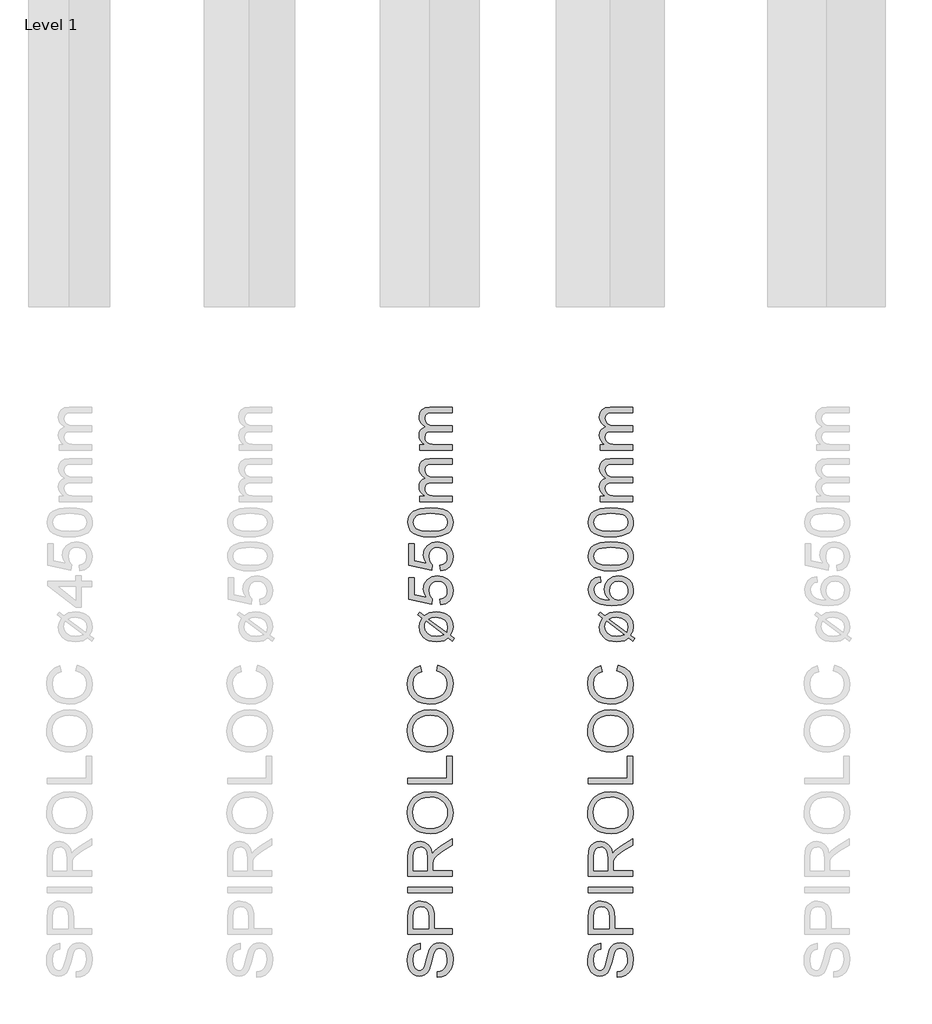
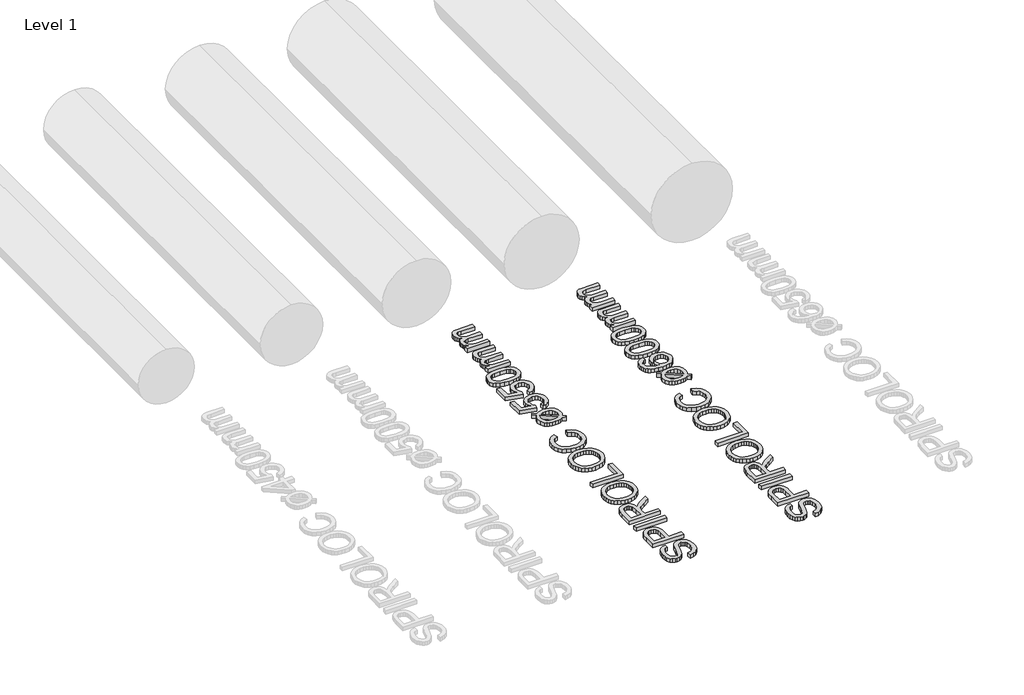
# One storey, part 11 of 19: 2 proxies.
"""IFC4 building model written with IfcOpenShell, lengths in millimetres."""

from ifc_helpers import new_model, si_unit, origin, origin_with_axes, place, context, project, spatial, polyline, outline, extrude, element, save

model = new_model("IFC4")

# Units and contexts
model_context = context("Model", 3, world=origin())
ifc_project = project(units=[si_unit("LENGTHUNIT", "METRE", prefix="MILLI")], contexts=[model_context])

# Site, building, storey
site = spatial("IfcSite", under=ifc_project)
building = spatial("IfcBuilding", under=site)
storey = spatial("IfcBuildingStorey", under=building, Name="Level 1", Elevation=0.0)

# Proxies
placement = place(None, origin())
element("IfcBuildingElementProxy", 1, Name="250mm", ObjectType="250mm", at=placement, inside=storey, context=model_context, shape_type="SweptSolid", body=[
    extrude(outline(polyline([(14325.8043383, -1501.7841772), (14325.8043383, -1471.0149464), (14342.8791581, -1467.4842974), (14356.6036172, -1461.099081), (14367.4960451, -1451.1381435), (14376.074771, -1436.880331), (14381.6411773, -1419.4524464), (14383.496646, -1399.9812926), (14377.8776557, -1367.8298502), (14371.2069826, -1355.6678911), (14362.4329441, -1347.0666291), (14352.3593263, -1341.950944), (14341.7899153, -1340.2457156), (14322.5891941, -1345.3538887), (14314.9945427, -1353.1363406), (14308.6168383, -1366.2673502), (14296.8680403, -1411.0690329), (14281.6937614, -1459.2961964), (14271.3421989, -1474.6132036), (14258.7971268, -1485.4680714), (14244.3289778, -1491.93592), (14228.2081845, -1494.0918695), (14210.1868504, -1491.4251026), (14193.3824633, -1483.4248022), (14179.1396749, -1470.3013046), (14168.8031364, -1452.2649464), (14162.5155763, -1430.615307), (14160.419723, -1406.6519656), (14162.6132326, -1380.6904272), (14169.1937614, -1357.974081), (14180.0260932, -1339.3142252), (14194.9750114, -1325.5221579), (14213.1090258, -1316.7931916), (14233.496646, -1313.3226387), (14233.496646, -1344.0918695), (14215.137271, -1349.7409079), (14201.8860691, -1361.5197541), (14193.8632326, -1379.9242012), (14191.1889537, -1405.4500426), (14193.8331845, -1431.5768454), (14201.7658768, -1449.5005233), (14213.4395547, -1459.8671099), (14227.3067422, -1463.3226387), (14239.1306605, -1460.8737204), (14248.6408768, -1453.5269656), (14257.1444826, -1436.1591772), (14265.8283768, -1403.286581), (14281.2730883, -1348.8394656), (14292.4359489, -1331.2989007), (14306.2129922, -1319.0618214), (14322.4539778, -1311.872819), (14341.0086653, -1309.4764849), (14359.9765138, -1312.2333959), (14377.8175595, -1320.5041291), (14393.1721268, -1333.9506435), (14404.6805403, -1352.2348983), (14411.8695427, -1374.2225786), (14414.2658768, -1398.7793695), (14411.6817422, -1428.9251026), (14403.9293383, -1453.7373022), (14390.9786172, -1473.5014248), (14372.7995307, -1488.5029272), (14350.654098, -1498.1333358), (14325.8043383, -1501.7841772)])), origin_with_axes(), (0.0, 0.0, 1.0), 30.0),
    extrude(outline(polyline([(14410.419723, -1263.3226387), (14164.2658768, -1263.3226387), (14164.2658768, -1172.0966772), (14166.6096268, -1135.317831), (14170.989134, -1118.919093), (14178.1180403, -1105.4199945), (14188.3193624, -1094.5501026), (14201.9161172, -1086.0389849), (14217.9542783, -1080.5401868), (14235.4798191, -1078.7072541), (14264.4912374, -1083.6576748), (14288.6649153, -1098.5089368), (14298.1826436, -1110.4023412), (14304.981021, -1126.2808719), (14309.0600475, -1146.1445287), (14310.419723, -1169.9933118), (14310.419723, -1232.5534079), (14410.419723, -1232.5534079), (14410.419723, -1263.3226387)]), holes=[polyline([(14279.6504922, -1232.5534079), (14279.6504922, -1168.1904272), (14276.825973, -1140.9067733), (14268.3524153, -1122.8779272), (14254.7556605, -1112.8268454), (14236.5615499, -1109.4764849), (14222.7394345, -1111.4521459), (14211.0807807, -1117.3791291), (14202.3067422, -1126.5212565), (14197.138473, -1138.1423502), (14195.0351076, -1168.911581), (14195.0351076, -1232.5534079), (14279.6504922, -1232.5534079)])]), origin_with_axes(), (0.0, 0.0, 1.0), 30.0),
    extrude(outline(polyline([(14410.419723, -1032.5534079), (14164.2658768, -1032.5534079), (14164.2658768, -1001.7841772), (14410.419723, -1001.7841772), (14410.419723, -1032.5534079)])), origin_with_axes(), (0.0, 0.0, 1.0), 30.0),
    extrude(outline(polyline([(14410.419723, -940.2457156), (14164.2658768, -940.2457156), (14164.2658768, -834.1760041), (14165.9260331, -805.6678911), (14170.9065018, -784.927206), (14180.1012133, -769.7679512), (14194.404098, -758.0041291), (14212.1399754, -750.4545498), (14231.6336653, -747.9380233), (14255.8824633, -752.107194), (14275.9846268, -764.614706), (14290.7232085, -785.8361603), (14298.8812614, -816.1471579), (14312.0423191, -798.6591772), (14343.7129922, -773.7192733), (14410.419723, -732.6736002), (14410.419723, -768.4308118), (14359.3980883, -800.4620618), (14325.6240499, -823.599081), (14309.668521, -839.8550906), (14303.809146, -854.4885041), (14302.7274153, -872.3370618), (14302.7274153, -909.4764849), (14410.419723, -909.4764849), (14410.419723, -940.2457156)]), holes=[polyline([(14271.9581845, -909.4764849), (14271.9581845, -840.6062926), (14267.6012133, -805.4800906), (14261.9371508, -793.9266051), (14253.6589057, -785.5281676), (14243.645384, -780.4124825), (14232.7754922, -778.7072541), (14217.7664778, -781.9599584), (14205.6721268, -791.7180714), (14197.6943624, -808.5074344), (14195.0351076, -832.8538887), (14195.0351076, -909.4764849), (14271.9581845, -909.4764849)])]), origin_with_axes(), (0.0, 0.0, 1.0), 30.0),
    extrude(outline(polyline([(14290.5879922, -705.630331), (14261.7155463, -703.5795498), (14236.1559008, -697.427206), (14213.9090559, -687.1732998), (14194.9750114, -672.817831), (14179.8570727, -655.220926), (14169.0585451, -635.2427108), (14162.5794285, -612.8831856), (14160.419723, -588.1423502), (14164.4762133, -555.8556916), (14176.6456845, -526.9043695), (14196.0717662, -502.8659079), (14221.8980883, -485.317831), (14252.8776557, -474.5906676), (14287.763473, -471.0149464), (14323.1150355, -474.778468), (14354.5302999, -486.0690329), (14380.4016941, -504.2631435), (14399.121646, -528.7373022), (14410.4798191, -557.4407276), (14414.2658768, -588.3226387), (14410.0816821, -621.1050906), (14397.529098, -650.2216772), (14377.7424393, -674.2000426), (14351.856021, -691.567831), (14322.0708648, -702.114706), (14290.5879922, -705.630331)]), holes=[polyline([(14290.888473, -674.8611002), (14311.2873612, -673.3230143), (14329.3950835, -668.7087565), (14345.21164, -661.0183268), (14358.7370307, -650.2517252), (14369.5693624, -637.1639097), (14377.3067422, -622.5098382), (14381.9491701, -606.2895107), (14383.496646, -588.5029272), (14381.934146, -570.4121069), (14377.246646, -554.0002228), (14369.434146, -539.2672751), (14358.496646, -526.2132637), (14344.6857987, -515.5255383), (14328.2532566, -507.8914488), (14309.1990198, -503.3109951), (14287.5230883, -501.7841772), (14260.2845066, -504.3983599), (14236.7418383, -512.2409079), (14217.4885331, -525.1089969), (14203.1180403, -542.7998022), (14194.1712254, -564.1414488), (14191.1889537, -587.9620618), (14196.9356484, -621.0600185), (14214.1757326, -649.2000426), (14227.5903209, -660.4267553), (14244.8473071, -668.4458358), (14265.9466911, -673.2572841), (14290.888473, -674.8611002)])]), origin_with_axes(), (0.0, 0.0, 1.0), 30.0),
    extrude(outline(polyline([(14410.419723, -428.7072541), (14164.2658768, -428.7072541), (14164.2658768, -397.9380233), (14379.6504922, -397.9380233), (14379.6504922, -274.8611002), (14410.419723, -274.8611002), (14410.419723, -428.7072541)])), origin_with_axes(), (0.0, 0.0, 1.0), 30.0),
    extrude(outline(polyline([(14290.5879922, -251.7841772), (14261.7155463, -249.7333959), (14236.1559008, -243.5810522), (14213.9090559, -233.3271459), (14194.9750114, -218.9716772), (14179.8570727, -201.3747721), (14169.0585451, -181.396557), (14162.5794285, -159.0370317), (14160.419723, -134.2961964), (14164.4762133, -102.0095377), (14176.6456845, -73.0582156), (14196.0717662, -49.0197541), (14221.8980883, -31.4716772), (14252.8776557, -20.7445137), (14287.763473, -17.1687926), (14323.1150355, -20.9323142), (14354.5302999, -32.2228791), (14380.4016941, -50.4169897), (14399.121646, -74.8911483), (14410.4798191, -103.5945738), (14414.2658768, -134.4764849), (14410.0816821, -167.2589368), (14397.529098, -196.3755233), (14377.7424393, -220.3538887), (14351.856021, -237.7216772), (14322.0708648, -248.2685522), (14290.5879922, -251.7841772)]), holes=[polyline([(14290.888473, -221.0149464), (14311.2873612, -219.4768605), (14329.3950835, -214.8626026), (14345.21164, -207.172173), (14358.7370307, -196.4055714), (14369.5693624, -183.3177559), (14377.3067422, -168.6636844), (14381.9491701, -152.4433569), (14383.496646, -134.6567733), (14381.934146, -116.565953), (14377.246646, -100.154069), (14369.434146, -85.4211213), (14358.496646, -72.3671099), (14344.6857987, -61.6793845), (14328.2532566, -54.045295), (14309.1990198, -49.4648412), (14287.5230883, -47.9380233), (14260.2845066, -50.552206), (14236.7418383, -58.3947541), (14217.4885331, -71.262843), (14203.1180403, -88.9536483), (14194.1712254, -110.295295), (14191.1889537, -134.1159079), (14196.9356484, -167.2138647), (14214.1757326, -195.3538887), (14227.5903209, -206.5806014), (14244.8473071, -214.599682), (14265.9466911, -219.4111303), (14290.888473, -221.0149464)])]), origin_with_axes(), (0.0, 0.0, 1.0), 30.0),
    extrude(outline(polyline([(14322.919723, 198.2158228), (14330.8524153, 228.9850536), (14366.7072831, 214.7873373), (14392.9016941, 192.5066882), (14408.9248311, 163.2398613), (14414.2658768, 128.0836113), (14410.2244105, 92.3940079), (14398.1000114, 64.0511594), (14378.3133528, 42.3263998), (14351.2851076, 26.4910632), (14319.5092662, 16.8230945), (14285.4798191, 13.6004382), (14249.5873912, 17.2437675), (14218.5927999, 28.1737555), (14193.4801196, 45.8194887), (14175.2334249, 69.6100536), (14164.1231484, 97.8251978), (14160.419723, 128.744669), (14165.2123912, 162.4811474), (14179.590396, 190.3732748), (14202.6673191, 211.549657), (14233.5567422, 225.1388998), (14240.888473, 194.369669), (14218.4500715, 183.7026017), (14203.0579441, 169.1292844), (14194.1562013, 150.4694286), (14191.1889537, 127.5427459), (14194.4792182, 101.1154623), (14204.3500114, 79.4057267), (14219.7646749, 62.9318685), (14239.6865499, 52.2122171), (14262.2075835, 46.330306), (14285.419723, 44.369669), (14313.8452037, 46.6908829), (14338.4245307, 53.6545248), (14358.2187013, 65.5235151), (14372.2887133, 82.5607748), (14380.6946629, 102.985955), (14383.496646, 125.0187074), (14379.6805403, 150.7023012), (14368.232223, 172.104044), (14349.2718864, 188.2623974), (14322.919723, 198.2158228)])), origin_with_axes(), (0.0, 0.0, 1.0), 30.0),
    extrude(outline(polyline([(14243.3524153, 490.2831305), (14219.0735691, 508.6725536), (14230.2514537, 523.3360151), (14255.6721268, 504.0451498), (14281.934146, 519.5499574), (14321.1168383, 525.1388998), (14344.6595066, 523.3923553), (14364.8668383, 518.1527219), (14381.7388335, 509.4199995), (14395.2754922, 497.1941882), (14409.5182807, 472.2092123), (14414.2658768, 442.5667844), (14410.2244105, 417.822193), (14398.1000114, 396.1124574), (14421.9581845, 378.0235151), (14411.0206845, 363.119669), (14388.2442422, 380.4273613), (14365.0471268, 366.4249574), (14345.2454441, 361.4219526), (14322.9798191, 359.7542844), (14299.093476, 361.2717123), (14278.7565619, 365.8239959), (14261.9690769, 373.4111353), (14248.731021, 384.0331305), (14231.536009, 410.4303661), (14225.8043383, 441.0643805), (14230.0411172, 466.0042844), (14243.3524153, 490.2831305)]), holes=[polyline([(14265.2274153, 473.6965921), (14258.7370307, 458.3119767), (14256.5735691, 442.2062074), (14260.7277158, 421.9988757), (14273.1901557, 405.3672651), (14293.8707446, 394.2344526), (14322.6793383, 390.5235151), (14345.0952037, 392.6719526), (14363.544723, 399.1172651), (14265.2274153, 473.6965921)]), polyline([(14280.6120307, 485.1749574), (14378.388473, 411.0163036), (14383.496646, 440.5836113), (14379.4326436, 461.9177459), (14367.2406364, 479.1653421), (14346.9356484, 490.5685873), (14318.5327037, 494.369669), (14297.3187614, 492.025919), (14280.6120307, 485.1749574)])]), origin_with_axes(), (0.0, 0.0, 1.0), 30.0),
    extrude(outline(polyline([(14345.0351076, 563.6004382), (14341.1889537, 594.369669), (14359.661009, 600.0187074), (14372.8896749, 609.8744767), (14380.8449033, 623.8919046), (14383.496646, 642.025919), (14379.8082446, 664.0812074), (14368.7430403, 680.6076498), (14351.5780763, 690.9291642), (14329.590396, 694.369669), (14308.887271, 691.1470127), (14293.0519345, 681.479044), (14283.0008528, 665.2906425), (14279.6504922, 642.5066882), (14284.9990499, 615.4934671), (14298.8812614, 598.2158228), (14295.0351076, 567.4465921), (14168.1120307, 594.369669), (14168.1120307, 713.6004382), (14198.8812614, 713.6004382), (14198.8812614, 619.2494767), (14266.669723, 606.088419), (14253.3283768, 628.0685873), (14248.8812614, 651.1004382), (14254.3950835, 679.8489358), (14270.9365499, 703.7146209), (14296.1468864, 719.78283), (14327.6673191, 725.1388998), (14358.4365499, 720.3161834), (14384.7586653, 705.8480344), (14397.6680703, 693.0625776), (14406.8890739, 678.1437074), (14412.4216761, 661.0914238), (14414.2658768, 641.9057267), (14409.5257927, 611.6848733), (14395.3055403, 587.6088517), (14373.2577638, 571.1049454), (14345.0351076, 563.6004382)])), origin_with_axes(), (0.0, 0.0, 1.0), 30.0),
    extrude(outline(polyline([(14345.0351076, 752.0619767), (14341.1889537, 782.8312074), (14359.661009, 788.4802459), (14372.8896749, 798.3360151), (14380.8449033, 812.353443), (14383.496646, 830.4874574), (14379.8082446, 852.5427459), (14368.7430403, 869.0691882), (14351.5780763, 879.3907026), (14329.590396, 882.8312074), (14308.887271, 879.6085512), (14293.0519345, 869.9405824), (14283.0008528, 853.752181), (14279.6504922, 830.9682267), (14284.9990499, 803.9550055), (14298.8812614, 786.6773613), (14295.0351076, 755.9081305), (14168.1120307, 782.8312074), (14168.1120307, 902.0619767), (14198.8812614, 902.0619767), (14198.8812614, 807.7110151), (14266.669723, 794.5499574), (14253.3283768, 816.5301257), (14248.8812614, 839.5619767), (14254.3950835, 868.3104743), (14270.9365499, 892.1761594), (14296.1468864, 908.2443685), (14327.6673191, 913.6004382), (14358.4365499, 908.7777219), (14384.7586653, 894.3095728), (14397.6680703, 881.5241161), (14406.8890739, 866.6052459), (14412.4216761, 849.5529623), (14414.2658768, 830.3672651), (14409.5257927, 800.1464118), (14395.3055403, 776.0703901), (14373.2577638, 759.5664839), (14345.0351076, 752.0619767)])), origin_with_axes(), (0.0, 0.0, 1.0), 30.0),
    extrude(outline(polyline([(14289.325973, 940.5235151), (14249.9254321, 942.7846329), (14218.5026557, 949.5679863), (14194.5768744, 960.8059671), (14177.6673191, 976.4309671), (14167.6162374, 996.5556666), (14164.2658768, 1021.2927459), (14166.2490499, 1040.2530824), (14172.1985691, 1057.2302459), (14181.8815619, 1071.4279623), (14195.0651557, 1082.0499574), (14231.4834249, 1096.4730344), (14256.6862494, 1100.6647411), (14289.325973, 1102.0619767), (14328.5011533, 1099.8233949), (14359.8488095, 1093.1076498), (14383.7971268, 1081.9372772), (14400.7742903, 1066.3348132), (14410.8929802, 1046.1650416), (14414.2658768, 1021.2927459), (14412.8010331, 1004.3456305), (14408.4065018, 989.3215921), (14401.0822831, 976.2206305), (14390.8283768, 965.0427459), (14372.2924694, 954.3155824), (14349.1967662, 946.6533228), (14321.5412674, 942.0559671), (14289.325973, 940.5235151)]), holes=[polyline([(14289.2658768, 971.2927459), (14337.6658167, 974.8985151), (14354.2204291, 979.4057267), (14365.6781364, 985.7158228), (14379.0420186, 1001.8215921), (14383.496646, 1021.2927459), (14379.0269946, 1040.7638998), (14365.6180403, 1056.869669), (14354.1415529, 1063.1797651), (14337.5906965, 1067.6869767), (14289.2658768, 1071.2927459), (14241.9551797, 1067.807169), (14225.4550295, 1063.4501978), (14213.7250114, 1057.3504382), (14199.7075835, 1041.2747171), (14195.0351076, 1020.932169), (14199.1516941, 1001.6713517), (14211.5014537, 986.1965921), (14224.2718864, 979.6761594), (14241.4894345, 975.0187074), (14289.2658768, 971.2927459)])]), origin_with_axes(), (0.0, 0.0, 1.0), 30.0),
    extrude(outline(polyline([(14410.419723, 1136.6773613), (14229.6504922, 1136.6773613), (14229.6504922, 1167.4465921), (14259.3980883, 1167.4465921), (14245.7337254, 1176.7013998), (14235.029098, 1188.6004382), (14228.1105283, 1202.7380584), (14225.8043383, 1218.7086113), (14228.1556004, 1235.8209911), (14235.2093864, 1249.5379382), (14246.4999513, 1259.7843324), (14261.5615499, 1266.4850536), (14245.9177698, 1277.7004983), (14234.7436412, 1290.4934671), (14228.0391641, 1304.8639599), (14225.8043383, 1320.8119767), (14229.5227879, 1343.9414839), (14240.6781364, 1361.0463517), (14259.5708648, 1371.6157627), (14286.5014537, 1375.1388998), (14410.419723, 1375.1388998), (14410.419723, 1344.369669), (14299.7226076, 1344.369669), (14274.0315018, 1341.5151017), (14261.3812614, 1331.1785632), (14256.5735691, 1313.6004382), (14259.653497, 1296.9312675), (14268.8932807, 1283.3420248), (14284.9239297, 1274.3050656), (14308.3764537, 1271.2927459), (14410.419723, 1271.2927459), (14410.419723, 1240.5235151), (14296.2971268, 1240.5235151), (14278.8992903, 1238.7431666), (14266.4894345, 1233.4021209), (14259.0525355, 1224.0045849), (14256.5735691, 1210.0547651), (14258.2262133, 1198.2007988), (14263.184146, 1187.2783228), (14271.3271749, 1178.2638998), (14282.5351076, 1172.1340921), (14319.2538576, 1167.4465921), (14410.419723, 1167.4465921), (14410.419723, 1136.6773613)])), origin_with_axes(), (0.0, 0.0, 1.0), 30.0),
    extrude(outline(polyline([(14410.419723, 1421.2927459), (14229.6504922, 1421.2927459), (14229.6504922, 1452.0619767), (14259.3980883, 1452.0619767), (14245.7337254, 1461.3167844), (14235.029098, 1473.2158228), (14228.1105283, 1487.353443), (14225.8043383, 1503.3239959), (14228.1556004, 1520.4363757), (14235.2093864, 1534.1533228), (14246.4999513, 1544.3997171), (14261.5615499, 1551.1004382), (14245.9177698, 1562.3158829), (14234.7436412, 1575.1088517), (14228.0391641, 1589.4793445), (14225.8043383, 1605.4273613), (14229.5227879, 1628.5568685), (14240.6781364, 1645.6617363), (14259.5708648, 1656.2311474), (14286.5014537, 1659.7542844), (14410.419723, 1659.7542844), (14410.419723, 1628.9850536), (14299.7226076, 1628.9850536), (14274.0315018, 1626.1304863), (14261.3812614, 1615.7939478), (14256.5735691, 1598.2158228), (14259.653497, 1581.5466522), (14268.8932807, 1567.9574094), (14284.9239297, 1558.9204502), (14308.3764537, 1555.9081305), (14410.419723, 1555.9081305), (14410.419723, 1525.1388998), (14296.2971268, 1525.1388998), (14278.8992903, 1523.3585512), (14266.4894345, 1518.0175055), (14259.0525355, 1508.6199695), (14256.5735691, 1494.6701498), (14258.2262133, 1482.8161834), (14263.184146, 1471.8937074), (14271.3271749, 1462.8792844), (14282.5351076, 1456.7494767), (14319.2538576, 1452.0619767), (14410.419723, 1452.0619767), (14410.419723, 1421.2927459)])), origin_with_axes(), (0.0, 0.0, 1.0), 30.0),
])
element("IfcBuildingElementProxy", 2, Name="250mm", ObjectType="250mm", at=placement, inside=storey, context=model_context, shape_type="SweptSolid", body=[
    extrude(outline(polyline([(15325.8043383, -1501.7841772), (15325.8043383, -1471.0149464), (15342.8791581, -1467.4842974), (15356.6036172, -1461.099081), (15367.4960451, -1451.1381435), (15376.074771, -1436.880331), (15381.6411773, -1419.4524464), (15383.496646, -1399.9812926), (15377.8776557, -1367.8298502), (15371.2069826, -1355.6678911), (15362.4329441, -1347.0666291), (15352.3593263, -1341.950944), (15341.7899153, -1340.2457156), (15322.5891941, -1345.3538887), (15314.9945427, -1353.1363406), (15308.6168383, -1366.2673502), (15296.8680403, -1411.0690329), (15281.6937614, -1459.2961964), (15271.3421989, -1474.6132036), (15258.7971268, -1485.4680714), (15244.3289778, -1491.93592), (15228.2081845, -1494.0918695), (15210.1868504, -1491.4251026), (15193.3824633, -1483.4248022), (15179.1396749, -1470.3013046), (15168.8031364, -1452.2649464), (15162.5155763, -1430.615307), (15160.419723, -1406.6519656), (15162.6132326, -1380.6904272), (15169.1937614, -1357.974081), (15180.0260932, -1339.3142252), (15194.9750114, -1325.5221579), (15213.1090258, -1316.7931916), (15233.496646, -1313.3226387), (15233.496646, -1344.0918695), (15215.137271, -1349.7409079), (15201.8860691, -1361.5197541), (15193.8632326, -1379.9242012), (15191.1889537, -1405.4500426), (15193.8331845, -1431.5768454), (15201.7658768, -1449.5005233), (15213.4395547, -1459.8671099), (15227.3067422, -1463.3226387), (15239.1306605, -1460.8737204), (15248.6408768, -1453.5269656), (15257.1444826, -1436.1591772), (15265.8283768, -1403.286581), (15281.2730883, -1348.8394656), (15292.4359489, -1331.2989007), (15306.2129922, -1319.0618214), (15322.4539778, -1311.872819), (15341.0086653, -1309.4764849), (15359.9765138, -1312.2333959), (15377.8175595, -1320.5041291), (15393.1721268, -1333.9506435), (15404.6805403, -1352.2348983), (15411.8695427, -1374.2225786), (15414.2658768, -1398.7793695), (15411.6817422, -1428.9251026), (15403.9293383, -1453.7373022), (15390.9786172, -1473.5014248), (15372.7995307, -1488.5029272), (15350.654098, -1498.1333358), (15325.8043383, -1501.7841772)])), origin_with_axes(), (0.0, 0.0, 1.0), 30.0),
    extrude(outline(polyline([(15410.419723, -1263.3226387), (15164.2658768, -1263.3226387), (15164.2658768, -1172.0966772), (15166.6096268, -1135.317831), (15170.989134, -1118.919093), (15178.1180403, -1105.4199945), (15188.3193624, -1094.5501026), (15201.9161172, -1086.0389849), (15217.9542783, -1080.5401868), (15235.4798191, -1078.7072541), (15264.4912374, -1083.6576748), (15288.6649153, -1098.5089368), (15298.1826436, -1110.4023412), (15304.981021, -1126.2808719), (15309.0600475, -1146.1445287), (15310.419723, -1169.9933118), (15310.419723, -1232.5534079), (15410.419723, -1232.5534079), (15410.419723, -1263.3226387)]), holes=[polyline([(15279.6504922, -1232.5534079), (15279.6504922, -1168.1904272), (15276.825973, -1140.9067733), (15268.3524153, -1122.8779272), (15254.7556605, -1112.8268454), (15236.5615499, -1109.4764849), (15222.7394345, -1111.4521459), (15211.0807807, -1117.3791291), (15202.3067422, -1126.5212565), (15197.138473, -1138.1423502), (15195.0351076, -1168.911581), (15195.0351076, -1232.5534079), (15279.6504922, -1232.5534079)])]), origin_with_axes(), (0.0, 0.0, 1.0), 30.0),
    extrude(outline(polyline([(15410.419723, -1032.5534079), (15164.2658768, -1032.5534079), (15164.2658768, -1001.7841772), (15410.419723, -1001.7841772), (15410.419723, -1032.5534079)])), origin_with_axes(), (0.0, 0.0, 1.0), 30.0),
    extrude(outline(polyline([(15410.419723, -940.2457156), (15164.2658768, -940.2457156), (15164.2658768, -834.1760041), (15165.9260331, -805.6678911), (15170.9065018, -784.927206), (15180.1012133, -769.7679512), (15194.404098, -758.0041291), (15212.1399754, -750.4545498), (15231.6336653, -747.9380233), (15255.8824633, -752.107194), (15275.9846268, -764.614706), (15290.7232085, -785.8361603), (15298.8812614, -816.1471579), (15312.0423191, -798.6591772), (15343.7129922, -773.7192733), (15410.419723, -732.6736002), (15410.419723, -768.4308118), (15359.3980883, -800.4620618), (15325.6240499, -823.599081), (15309.668521, -839.8550906), (15303.809146, -854.4885041), (15302.7274153, -872.3370618), (15302.7274153, -909.4764849), (15410.419723, -909.4764849), (15410.419723, -940.2457156)]), holes=[polyline([(15271.9581845, -909.4764849), (15271.9581845, -840.6062926), (15267.6012133, -805.4800906), (15261.9371508, -793.9266051), (15253.6589057, -785.5281676), (15243.645384, -780.4124825), (15232.7754922, -778.7072541), (15217.7664778, -781.9599584), (15205.6721268, -791.7180714), (15197.6943624, -808.5074344), (15195.0351076, -832.8538887), (15195.0351076, -909.4764849), (15271.9581845, -909.4764849)])]), origin_with_axes(), (0.0, 0.0, 1.0), 30.0),
    extrude(outline(polyline([(15290.5879922, -705.630331), (15261.7155463, -703.5795498), (15236.1559008, -697.427206), (15213.9090559, -687.1732998), (15194.9750114, -672.817831), (15179.8570727, -655.220926), (15169.0585451, -635.2427108), (15162.5794285, -612.8831856), (15160.419723, -588.1423502), (15164.4762133, -555.8556916), (15176.6456845, -526.9043695), (15196.0717662, -502.8659079), (15221.8980883, -485.317831), (15252.8776557, -474.5906676), (15287.763473, -471.0149464), (15323.1150355, -474.778468), (15354.5302999, -486.0690329), (15380.4016941, -504.2631435), (15399.121646, -528.7373022), (15410.4798191, -557.4407276), (15414.2658768, -588.3226387), (15410.0816821, -621.1050906), (15397.529098, -650.2216772), (15377.7424393, -674.2000426), (15351.856021, -691.567831), (15322.0708648, -702.114706), (15290.5879922, -705.630331)]), holes=[polyline([(15290.888473, -674.8611002), (15311.2873612, -673.3230143), (15329.3950835, -668.7087565), (15345.21164, -661.0183268), (15358.7370307, -650.2517252), (15369.5693624, -637.1639097), (15377.3067422, -622.5098382), (15381.9491701, -606.2895107), (15383.496646, -588.5029272), (15381.934146, -570.4121069), (15377.246646, -554.0002228), (15369.434146, -539.2672751), (15358.496646, -526.2132637), (15344.6857987, -515.5255383), (15328.2532566, -507.8914488), (15309.1990198, -503.3109951), (15287.5230883, -501.7841772), (15260.2845066, -504.3983599), (15236.7418383, -512.2409079), (15217.4885331, -525.1089969), (15203.1180403, -542.7998022), (15194.1712254, -564.1414488), (15191.1889537, -587.9620618), (15196.9356484, -621.0600185), (15214.1757326, -649.2000426), (15227.5903209, -660.4267553), (15244.8473071, -668.4458358), (15265.9466911, -673.2572841), (15290.888473, -674.8611002)])]), origin_with_axes(), (0.0, 0.0, 1.0), 30.0),
    extrude(outline(polyline([(15410.419723, -428.7072541), (15164.2658768, -428.7072541), (15164.2658768, -397.9380233), (15379.6504922, -397.9380233), (15379.6504922, -274.8611002), (15410.419723, -274.8611002), (15410.419723, -428.7072541)])), origin_with_axes(), (0.0, 0.0, 1.0), 30.0),
    extrude(outline(polyline([(15290.5879922, -251.7841772), (15261.7155463, -249.7333959), (15236.1559008, -243.5810522), (15213.9090559, -233.3271459), (15194.9750114, -218.9716772), (15179.8570727, -201.3747721), (15169.0585451, -181.396557), (15162.5794285, -159.0370317), (15160.419723, -134.2961964), (15164.4762133, -102.0095377), (15176.6456845, -73.0582156), (15196.0717662, -49.0197541), (15221.8980883, -31.4716772), (15252.8776557, -20.7445137), (15287.763473, -17.1687926), (15323.1150355, -20.9323142), (15354.5302999, -32.2228791), (15380.4016941, -50.4169897), (15399.121646, -74.8911483), (15410.4798191, -103.5945738), (15414.2658768, -134.4764849), (15410.0816821, -167.2589368), (15397.529098, -196.3755233), (15377.7424393, -220.3538887), (15351.856021, -237.7216772), (15322.0708648, -248.2685522), (15290.5879922, -251.7841772)]), holes=[polyline([(15290.888473, -221.0149464), (15311.2873612, -219.4768605), (15329.3950835, -214.8626026), (15345.21164, -207.172173), (15358.7370307, -196.4055714), (15369.5693624, -183.3177559), (15377.3067422, -168.6636844), (15381.9491701, -152.4433569), (15383.496646, -134.6567733), (15381.934146, -116.565953), (15377.246646, -100.154069), (15369.434146, -85.4211213), (15358.496646, -72.3671099), (15344.6857987, -61.6793845), (15328.2532566, -54.045295), (15309.1990198, -49.4648412), (15287.5230883, -47.9380233), (15260.2845066, -50.552206), (15236.7418383, -58.3947541), (15217.4885331, -71.262843), (15203.1180403, -88.9536483), (15194.1712254, -110.295295), (15191.1889537, -134.1159079), (15196.9356484, -167.2138647), (15214.1757326, -195.3538887), (15227.5903209, -206.5806014), (15244.8473071, -214.599682), (15265.9466911, -219.4111303), (15290.888473, -221.0149464)])]), origin_with_axes(), (0.0, 0.0, 1.0), 30.0),
    extrude(outline(polyline([(15322.919723, 198.2158228), (15330.8524153, 228.9850536), (15366.7072831, 214.7873373), (15392.9016941, 192.5066882), (15408.9248311, 163.2398613), (15414.2658768, 128.0836113), (15410.2244105, 92.3940079), (15398.1000114, 64.0511594), (15378.3133528, 42.3263998), (15351.2851076, 26.4910632), (15319.5092662, 16.8230945), (15285.4798191, 13.6004382), (15249.5873912, 17.2437675), (15218.5927999, 28.1737555), (15193.4801196, 45.8194887), (15175.2334249, 69.6100536), (15164.1231484, 97.8251978), (15160.419723, 128.744669), (15165.2123912, 162.4811474), (15179.590396, 190.3732748), (15202.6673191, 211.549657), (15233.5567422, 225.1388998), (15240.888473, 194.369669), (15218.4500715, 183.7026017), (15203.0579441, 169.1292844), (15194.1562013, 150.4694286), (15191.1889537, 127.5427459), (15194.4792182, 101.1154623), (15204.3500114, 79.4057267), (15219.7646749, 62.9318685), (15239.6865499, 52.2122171), (15262.2075835, 46.330306), (15285.419723, 44.369669), (15313.8452037, 46.6908829), (15338.4245307, 53.6545248), (15358.2187013, 65.5235151), (15372.2887133, 82.5607748), (15380.6946629, 102.985955), (15383.496646, 125.0187074), (15379.6805403, 150.7023012), (15368.232223, 172.104044), (15349.2718864, 188.2623974), (15322.919723, 198.2158228)])), origin_with_axes(), (0.0, 0.0, 1.0), 30.0),
    extrude(outline(polyline([(15243.3524153, 490.2831305), (15219.0735691, 508.6725536), (15230.2514537, 523.3360151), (15255.6721268, 504.0451498), (15281.934146, 519.5499574), (15321.1168383, 525.1388998), (15344.6595066, 523.3923553), (15364.8668383, 518.1527219), (15381.7388335, 509.4199995), (15395.2754922, 497.1941882), (15409.5182807, 472.2092123), (15414.2658768, 442.5667844), (15410.2244105, 417.822193), (15398.1000114, 396.1124574), (15421.9581845, 378.0235151), (15411.0206845, 363.119669), (15388.2442422, 380.4273613), (15365.0471268, 366.4249574), (15345.2454441, 361.4219526), (15322.9798191, 359.7542844), (15299.093476, 361.2717123), (15278.7565619, 365.8239959), (15261.9690769, 373.4111353), (15248.731021, 384.0331305), (15231.536009, 410.4303661), (15225.8043383, 441.0643805), (15230.0411172, 466.0042844), (15243.3524153, 490.2831305)]), holes=[polyline([(15265.2274153, 473.6965921), (15258.7370307, 458.3119767), (15256.5735691, 442.2062074), (15260.7277158, 421.9988757), (15273.1901557, 405.3672651), (15293.8707446, 394.2344526), (15322.6793383, 390.5235151), (15345.0952037, 392.6719526), (15363.544723, 399.1172651), (15265.2274153, 473.6965921)]), polyline([(15280.6120307, 485.1749574), (15378.388473, 411.0163036), (15383.496646, 440.5836113), (15379.4326436, 461.9177459), (15367.2406364, 479.1653421), (15346.9356484, 490.5685873), (15318.5327037, 494.369669), (15297.3187614, 492.025919), (15280.6120307, 485.1749574)])]), origin_with_axes(), (0.0, 0.0, 1.0), 30.0),
    extrude(outline(polyline([(15229.6504922, 721.2927459), (15233.496646, 690.5235151), (15218.247247, 685.5655824), (15207.8355883, 678.8648613), (15198.2352278, 664.9075296), (15195.0351076, 648.0355344), (15196.8980883, 633.7326498), (15202.4870307, 620.2711113), (15214.2583648, 608.7101137), (15230.4617903, 599.2675055), (15253.3809609, 592.8898012), (15285.2995307, 590.5235151), (15270.8989898, 602.8657627), (15260.7502518, 617.6569286), (15254.7331244, 634.0706906), (15252.7274153, 651.2807267), (15258.2111893, 679.7062074), (15274.6625114, 703.5643805), (15299.7977278, 719.7452699), (15331.3331845, 725.1388998), (15353.3659369, 722.5998373), (15373.7911172, 714.9826498), (15391.1138335, 702.9183469), (15403.8391941, 687.0379382), (15411.6592061, 668.0625776), (15414.2658768, 646.713419), (15412.5381124, 628.370946), (15407.3548191, 611.8050656), (15398.715997, 597.0157778), (15386.621646, 584.0030824), (15370.5609489, 573.3942333), (15350.0230883, 565.8164839), (15325.0080643, 561.2698343), (15295.5158768, 559.7542844), (15262.4517242, 561.4369767), (15234.2328239, 566.4850536), (15210.8591761, 574.8985151), (15192.3307807, 586.6773613), (15180.0523852, 599.444038), (15171.2821028, 614.2464719), (15166.0199333, 631.084663), (15164.2658768, 649.9586113), (15168.6078239, 676.9568084), (15181.6336653, 698.5763998), (15202.3217662, 713.7206305), (15229.6504922, 721.2927459)]), holes=[polyline([(15330.8524153, 590.5235151), (15344.4867302, 592.3038637), (15357.5050595, 597.6449094), (15368.6979682, 605.9381786), (15376.856021, 616.5751978), (15381.8364898, 629.4132387), (15383.496646, 644.3095728), (15380.0561412, 664.6145608), (15369.7346268, 680.5776017), (15353.5086653, 690.9216522), (15332.3548191, 694.369669), (15312.0498311, 690.9667243), (15296.5675595, 680.7578901), (15286.7643744, 664.5244166), (15283.496646, 643.0475536), (15286.7643744, 622.7726137), (15296.5675595, 605.8179863), (15311.6742302, 594.3471329), (15330.8524153, 590.5235151)])]), origin_with_axes(), (0.0, 0.0, 1.0), 30.0),
    extrude(outline(polyline([(15289.325973, 752.0619767), (15249.9254321, 754.3230945), (15218.5026557, 761.1064478), (15194.5768744, 772.3444286), (15177.6673191, 787.9694286), (15167.6162374, 808.0941281), (15164.2658768, 832.8312074), (15166.2490499, 851.791544), (15172.1985691, 868.7687074), (15181.8815619, 882.9664238), (15195.0651557, 893.588419), (15231.4834249, 908.0114959), (15256.6862494, 912.2032026), (15289.325973, 913.6004382), (15328.5011533, 911.3618565), (15359.8488095, 904.6461113), (15383.7971268, 893.4757387), (15400.7742903, 877.8732748), (15410.8929802, 857.7035031), (15414.2658768, 832.8312074), (15412.8010331, 815.8840921), (15408.4065018, 800.8600536), (15401.0822831, 787.7590921), (15390.8283768, 776.5812074), (15372.2924694, 765.854044), (15349.1967662, 758.1917844), (15321.5412674, 753.5944286), (15289.325973, 752.0619767)]), holes=[polyline([(15289.2658768, 782.8312074), (15337.6658167, 786.4369767), (15354.2204291, 790.9441882), (15365.6781364, 797.2542844), (15379.0420186, 813.3600536), (15383.496646, 832.8312074), (15379.0269946, 852.3023613), (15365.6180403, 868.4081305), (15354.1415529, 874.7182267), (15337.5906965, 879.2254382), (15289.2658768, 882.8312074), (15241.9551797, 879.3456305), (15225.4550295, 874.9886594), (15213.7250114, 868.8888998), (15199.7075835, 852.8131786), (15195.0351076, 832.4706305), (15199.1516941, 813.2098132), (15211.5014537, 797.7350536), (15224.2718864, 791.2146209), (15241.4894345, 786.557169), (15289.2658768, 782.8312074)])]), origin_with_axes(), (0.0, 0.0, 1.0), 30.0),
    extrude(outline(polyline([(15289.325973, 940.5235151), (15249.9254321, 942.7846329), (15218.5026557, 949.5679863), (15194.5768744, 960.8059671), (15177.6673191, 976.4309671), (15167.6162374, 996.5556666), (15164.2658768, 1021.2927459), (15166.2490499, 1040.2530824), (15172.1985691, 1057.2302459), (15181.8815619, 1071.4279623), (15195.0651557, 1082.0499574), (15231.4834249, 1096.4730344), (15256.6862494, 1100.6647411), (15289.325973, 1102.0619767), (15328.5011533, 1099.8233949), (15359.8488095, 1093.1076498), (15383.7971268, 1081.9372772), (15400.7742903, 1066.3348132), (15410.8929802, 1046.1650416), (15414.2658768, 1021.2927459), (15412.8010331, 1004.3456305), (15408.4065018, 989.3215921), (15401.0822831, 976.2206305), (15390.8283768, 965.0427459), (15372.2924694, 954.3155824), (15349.1967662, 946.6533228), (15321.5412674, 942.0559671), (15289.325973, 940.5235151)]), holes=[polyline([(15289.2658768, 971.2927459), (15337.6658167, 974.8985151), (15354.2204291, 979.4057267), (15365.6781364, 985.7158228), (15379.0420186, 1001.8215921), (15383.496646, 1021.2927459), (15379.0269946, 1040.7638998), (15365.6180403, 1056.869669), (15354.1415529, 1063.1797651), (15337.5906965, 1067.6869767), (15289.2658768, 1071.2927459), (15241.9551797, 1067.807169), (15225.4550295, 1063.4501978), (15213.7250114, 1057.3504382), (15199.7075835, 1041.2747171), (15195.0351076, 1020.932169), (15199.1516941, 1001.6713517), (15211.5014537, 986.1965921), (15224.2718864, 979.6761594), (15241.4894345, 975.0187074), (15289.2658768, 971.2927459)])]), origin_with_axes(), (0.0, 0.0, 1.0), 30.0),
    extrude(outline(polyline([(15410.419723, 1136.6773613), (15229.6504922, 1136.6773613), (15229.6504922, 1167.4465921), (15259.3980883, 1167.4465921), (15245.7337254, 1176.7013998), (15235.029098, 1188.6004382), (15228.1105283, 1202.7380584), (15225.8043383, 1218.7086113), (15228.1556004, 1235.8209911), (15235.2093864, 1249.5379382), (15246.4999513, 1259.7843324), (15261.5615499, 1266.4850536), (15245.9177698, 1277.7004983), (15234.7436412, 1290.4934671), (15228.0391641, 1304.8639599), (15225.8043383, 1320.8119767), (15229.5227879, 1343.9414839), (15240.6781364, 1361.0463517), (15259.5708648, 1371.6157627), (15286.5014537, 1375.1388998), (15410.419723, 1375.1388998), (15410.419723, 1344.369669), (15299.7226076, 1344.369669), (15274.0315018, 1341.5151017), (15261.3812614, 1331.1785632), (15256.5735691, 1313.6004382), (15259.653497, 1296.9312675), (15268.8932807, 1283.3420248), (15284.9239297, 1274.3050656), (15308.3764537, 1271.2927459), (15410.419723, 1271.2927459), (15410.419723, 1240.5235151), (15296.2971268, 1240.5235151), (15278.8992903, 1238.7431666), (15266.4894345, 1233.4021209), (15259.0525355, 1224.0045849), (15256.5735691, 1210.0547651), (15258.2262133, 1198.2007988), (15263.184146, 1187.2783228), (15271.3271749, 1178.2638998), (15282.5351076, 1172.1340921), (15319.2538576, 1167.4465921), (15410.419723, 1167.4465921), (15410.419723, 1136.6773613)])), origin_with_axes(), (0.0, 0.0, 1.0), 30.0),
    extrude(outline(polyline([(15410.419723, 1421.2927459), (15229.6504922, 1421.2927459), (15229.6504922, 1452.0619767), (15259.3980883, 1452.0619767), (15245.7337254, 1461.3167844), (15235.029098, 1473.2158228), (15228.1105283, 1487.353443), (15225.8043383, 1503.3239959), (15228.1556004, 1520.4363757), (15235.2093864, 1534.1533228), (15246.4999513, 1544.3997171), (15261.5615499, 1551.1004382), (15245.9177698, 1562.3158829), (15234.7436412, 1575.1088517), (15228.0391641, 1589.4793445), (15225.8043383, 1605.4273613), (15229.5227879, 1628.5568685), (15240.6781364, 1645.6617363), (15259.5708648, 1656.2311474), (15286.5014537, 1659.7542844), (15410.419723, 1659.7542844), (15410.419723, 1628.9850536), (15299.7226076, 1628.9850536), (15274.0315018, 1626.1304863), (15261.3812614, 1615.7939478), (15256.5735691, 1598.2158228), (15259.653497, 1581.5466522), (15268.8932807, 1567.9574094), (15284.9239297, 1558.9204502), (15308.3764537, 1555.9081305), (15410.419723, 1555.9081305), (15410.419723, 1525.1388998), (15296.2971268, 1525.1388998), (15278.8992903, 1523.3585512), (15266.4894345, 1518.0175055), (15259.0525355, 1508.6199695), (15256.5735691, 1494.6701498), (15258.2262133, 1482.8161834), (15263.184146, 1471.8937074), (15271.3271749, 1462.8792844), (15282.5351076, 1456.7494767), (15319.2538576, 1452.0619767), (15410.419723, 1452.0619767), (15410.419723, 1421.2927459)])), origin_with_axes(), (0.0, 0.0, 1.0), 30.0),
])

save(model, "model.ifc")
